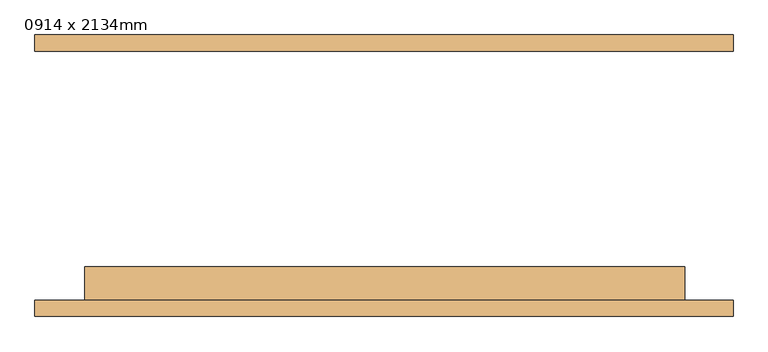
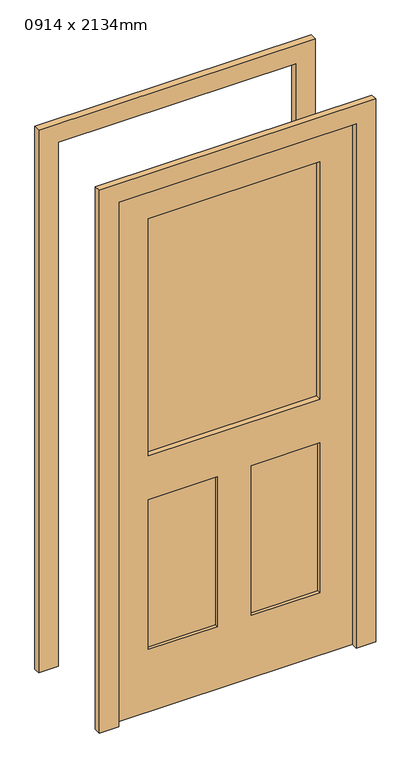
"""IFC4 building model written with IfcOpenShell, lengths in millimetres: door geometry, 0914 x 2134mm."""

from ifc_helpers import new_model, si_unit, frame, origin, place, context, project, spatial, polyline, outline, extrude, source, transform, mapped, element, save


def door_0914_x_2134mm_3221d043(model_context):
    return source(origin(), model_context, "Body", "SweptSolid", [
        extrude(outline(polyline([(2209.0, -532.0), (0.0, -532.0), (0.0, -457.0), (2134.0, -457.0), (2134.0, 457.0), (0.0, 457.0), (0.0, 532.0), (2209.0, 532.0), (2209.0, -532.0)])), frame((0.0, -214.5, 0.0), z_axis=(0.0, 1.0, 0.0), x_axis=(0.0, 0.0, 1.0)), (0.0, 0.0, 1.0), 25.0),
        extrude(outline(polyline([(66.2296572, -176.5), (66.2296572, -150.5), (330.0, -150.5), (330.0, -176.5), (66.2296572, -176.5)])), frame((0.0, 0.0, 254.0), z_axis=(0.0, 0.0, 1.0), x_axis=(1.0, 0.0, 0.0)), (0.0, 0.0, 1.0), 610.0),
        extrude(outline(polyline([(-330.0, -176.5), (-330.0, -150.5), (-64.0, -150.5), (-64.0, -176.5), (-330.0, -176.5)])), frame((0.0, 0.0, 254.0), z_axis=(0.0, 0.0, 1.0), x_axis=(1.0, 0.0, 0.0)), (0.0, 0.0, 1.0), 610.0),
        extrude(outline(polyline([(-330.0, -167.5), (-330.0, -161.5), (330.0, -161.5), (330.0, -167.5), (-330.0, -167.5)])), frame((0.0, 0.0, 1042.0), z_axis=(0.0, 0.0, 1.0), x_axis=(1.0, 0.0, 0.0)), (0.0, 0.0, 1.0), 965.0),
        extrude(outline(polyline([(2134.0, -455.6666667), (0.0, -455.6666667), (0.0, 458.3333333), (2134.0, 458.3333333), (2134.0, -455.6666667)]), holes=[polyline([(2007.0, -328.6666667), (2007.0, 331.3333333), (1042.0, 331.3333333), (1042.0, -328.6666667), (2007.0, -328.6666667)]), polyline([(864.0, 67.5629905), (864.0, 331.3333333), (254.0, 331.3333333), (254.0, 67.5629905), (864.0, 67.5629905)]), polyline([(864.0, -328.6666667), (864.0, -62.6666667), (254.0, -62.6666667), (254.0, -328.6666667), (864.0, -328.6666667)])]), frame((0.0, -189.5, 0.0), z_axis=(0.0, 1.0, 0.0), x_axis=(0.0, 0.0, 1.0)), (0.0, 0.0, 1.0), 51.0),
        extrude(outline(polyline([(2209.0, -532.0), (0.0, -532.0), (0.0, -457.0), (2134.0, -457.0), (2134.0, 457.0), (0.0, 457.0), (0.0, 532.0), (2209.0, 532.0), (2209.0, -532.0)])), frame((0.0, 189.5, 0.0), z_axis=(0.0, 1.0, 0.0), x_axis=(0.0, 0.0, 1.0)), (0.0, 0.0, 1.0), 25.0),
    ])


if __name__ == "__main__":
    model = new_model("IFC4")
    model_context = context("Model", 3, world=origin())
    ifc_project = project(units=[si_unit("LENGTHUNIT", "METRE", prefix="MILLI")], contexts=[model_context])
    site = spatial("IfcSite", under=ifc_project)
    building = spatial("IfcBuilding", under=site)
    placement = place(None, origin())
    door_0914_x_2134mm_shape = door_0914_x_2134mm_3221d043(model_context)
    element("IfcDoor", 1, ObjectType="0914 x 2134mm", at=placement, inside=building, context=model_context, shape_type="MappedRepresentation", body=[
        mapped(door_0914_x_2134mm_shape, transform((0.0, 0.0, 0.0), x_axis=(1.0, 0.0, 0.0), y_axis=(0.0, 1.0, 0.0), z_axis=(0.0, 0.0, 1.0))),
    ])
    save(model, "model.ifc")
